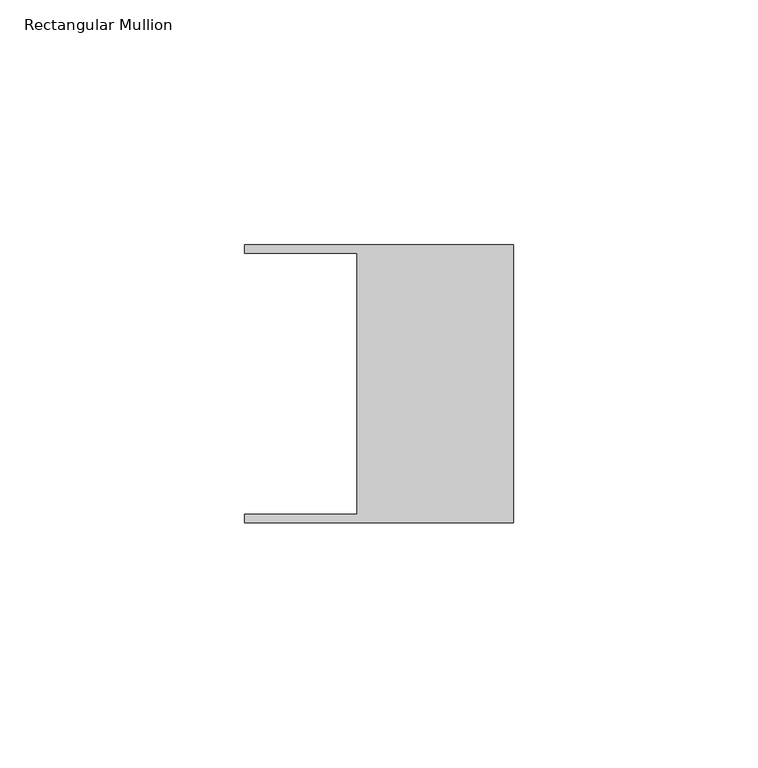
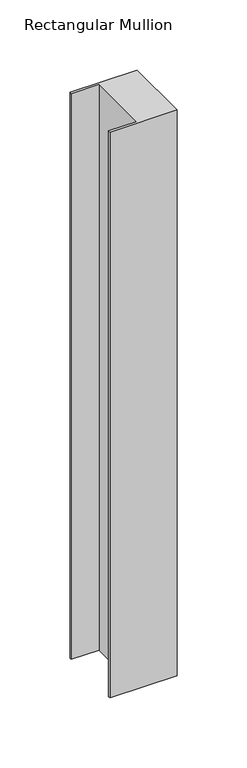
"""IFC4 building model written with IfcOpenShell, lengths in millimetres: member geometry, Rectangular Mullion."""

from ifc_helpers import new_model, si_unit, frame, origin, place, context, project, spatial, polyline, outline, extrude, source, transform, mapped, element, save


def rectangular_mullion_516aff10(model_context):
    return source(origin(), model_context, "Body", "SweptSolid", [
        extrude(outline(polyline([(-32.004, -26.67), (-32.004, 26.67), (-54.991, 26.67), (-54.991, 28.448), (0.0, 28.448), (0.0, -28.448), (-54.991, -28.448), (-54.991, -26.67), (-32.004, -26.67)])), frame((0.0, 0.0, -491.7929338), z_axis=(0.0, 0.0, 1.0), x_axis=(1.0, 0.0, 0.0)), (0.0, 0.0, 1.0), 491.7929338),
    ])


if __name__ == "__main__":
    model = new_model("IFC4")
    model_context = context("Model", 3, world=origin())
    ifc_project = project(units=[si_unit("LENGTHUNIT", "METRE", prefix="MILLI")], contexts=[model_context])
    site = spatial("IfcSite", under=ifc_project)
    building = spatial("IfcBuilding", under=site)
    placement = place(None, origin())
    rectangular_mullion_shape = rectangular_mullion_516aff10(model_context)
    element("IfcMember", 1, ObjectType="Rectangular Mullion", at=placement, inside=building, context=model_context, shape_type="MappedRepresentation", body=[
        mapped(rectangular_mullion_shape, transform((0.0, 0.0, 0.0), x_axis=(1.0, 0.0, 0.0), y_axis=(0.0, 1.0, 0.0), z_axis=(0.0, 0.0, 1.0))),
    ])
    save(model, "model.ifc")
